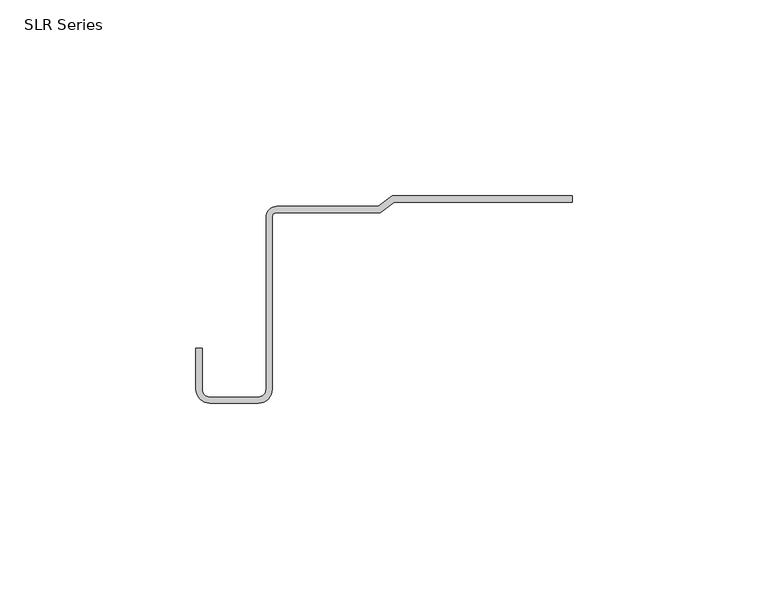
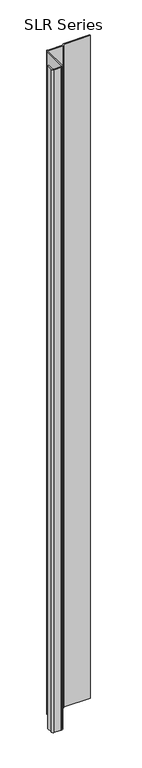
"""IFC4 building model written with IfcOpenShell, lengths in millimetres: plate geometry, SLR Series."""

from ifc_helpers import new_model, si_unit, point, frame_2d, origin, origin_with_axes, place, context, project, spatial, polyline, circle_curve, trimmed, segment, composite_curve, outline, extrude, source, transform, mapped, element, save


def slr_series_34d35175(model_context):
    return source(origin(), model_context, "Body", "SweptSolid", [
        extrude(outline(composite_curve([segment(polyline([(-4.7388254, -1.5875), (-8.318531, -4.2722792), (-34.7380842, -4.2722792)]), True, "CONTINUOUS"), segment(trimmed(circle_curve(frame_2d((-34.7380842, -5.3846124)), 1.1123332), [point((-34.7380842, -4.2722792))], [point((-35.8504175, -5.3846124))], True, "CARTESIAN"), True, "CONTINUOUS"), segment(polyline([(-35.8504175, -5.3846124), (-35.8504175, -49.322367)]), True, "CONTINUOUS"), segment(trimmed(circle_curve(frame_2d((-39.3827779, -49.322367)), 3.5323605), [point((-35.8504175, -49.322367))], [point((-39.3827779, -52.8547275))], False, "CARTESIAN"), True, "CONTINUOUS"), segment(polyline([(-39.3827779, -52.8547275), (-51.7686279, -52.8547275)]), True, "CONTINUOUS"), segment(trimmed(circle_curve(frame_2d((-51.7686279, -49.322367)), 3.5323605), [point((-51.7686279, -52.8547275))], [point((-55.3009883, -49.322367))], False, "CARTESIAN"), True, "CONTINUOUS"), segment(polyline([(-55.3009883, -49.322367), (-55.3009883, -38.9158598), (-53.7479706, -38.9158598), (-53.7479706, -49.322367)]), True, "CONTINUOUS"), segment(trimmed(circle_curve(frame_2d((-51.7686279, -49.322367)), 1.9793427), [point((-53.7479706, -49.322367))], [point((-51.7686279, -51.3017098))], True, "CARTESIAN"), True, "CONTINUOUS"), segment(polyline([(-51.7686279, -51.3017098), (-39.3827779, -51.3017098)]), True, "CONTINUOUS"), segment(trimmed(circle_curve(frame_2d((-39.3827779, -49.322367)), 1.9793427), [point((-39.3827779, -51.3017098))], [point((-37.4034352, -49.322367))], True, "CARTESIAN"), True, "CONTINUOUS"), segment(polyline([(-37.4034352, -49.322367), (-37.4034352, -5.4093769)]), True, "CONTINUOUS"), segment(trimmed(circle_curve(frame_2d((-34.6781791, -5.4093769)), 2.7252562), [point((-37.4034352, -5.4093769))], [point((-34.7380842, -2.6847792))], False, "CARTESIAN"), True, "CONTINUOUS"), segment(polyline([(-34.7380842, -2.6847792), (-8.8476977, -2.6847792), (-5.2679921, 0.0), (40.6542607, 0.0), (40.6542607, -1.5875), (-4.7388254, -1.5875)]), True, "CONTINUOUS")], self_intersect=False)), origin_with_axes(), (0.0, 0.0, 1.0), 1228.3559792),
    ])


if __name__ == "__main__":
    model = new_model("IFC4")
    model_context = context("Model", 3, world=origin())
    ifc_project = project(units=[si_unit("LENGTHUNIT", "METRE", prefix="MILLI")], contexts=[model_context])
    site = spatial("IfcSite", under=ifc_project)
    building = spatial("IfcBuilding", under=site)
    placement = place(None, origin())
    slr_series_shape = slr_series_34d35175(model_context)
    element("IfcPlate", 1, ObjectType="SLR Series", at=placement, inside=building, context=model_context, shape_type="MappedRepresentation", body=[
        mapped(slr_series_shape, transform((0.0, 0.0, 0.0), x_axis=(1.0, 0.0, 0.0), y_axis=(0.0, 1.0, 0.0), z_axis=(0.0, 0.0, 1.0))),
    ])
    save(model, "model.ifc")
